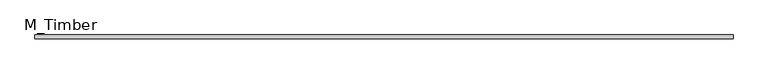
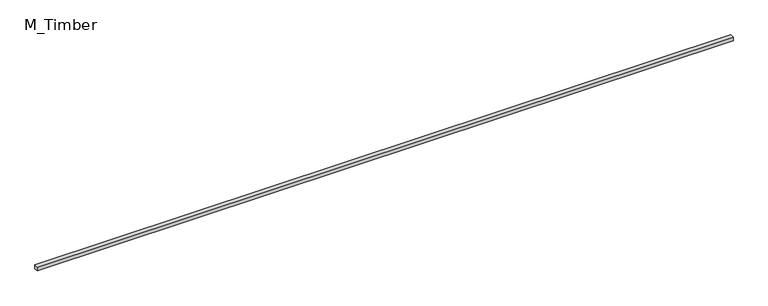
"""IFC4 building model written with IfcOpenShell, lengths in millimetres: beam geometry, M_Timber."""

from ifc_helpers import new_model, si_unit, frame, origin, place, context, project, spatial, polyline, outline, extrude, source, transform, mapped, element, save


def m_timber_9a5e1439(model_context):
    return source(origin(), model_context, "Body", "SweptSolid", [
        extrude(outline(polyline([(5361.0053522, 30.0), (5361.0053522, -30.0), (-5361.0053522, -30.0), (-5361.0053522, 30.0), (5361.0053522, 30.0)])), frame((0.0, 0.0, -30.0), z_axis=(0.0, 0.0, 1.0), x_axis=(1.0, 0.0, 0.0)), (0.0, 0.0, 1.0), 60.0),
    ])


if __name__ == "__main__":
    model = new_model("IFC4")
    model_context = context("Model", 3, world=origin())
    ifc_project = project(units=[si_unit("LENGTHUNIT", "METRE", prefix="MILLI")], contexts=[model_context])
    site = spatial("IfcSite", under=ifc_project)
    building = spatial("IfcBuilding", under=site)
    placement = place(None, origin())
    m_timber_shape = m_timber_9a5e1439(model_context)
    element("IfcBeam", 1, ObjectType="M_Timber", at=placement, inside=building, context=model_context, shape_type="MappedRepresentation", body=[
        mapped(m_timber_shape, transform((0.0, 0.0, 0.0), x_axis=(1.0, 0.0, 0.0), y_axis=(0.0, 1.0, 0.0), z_axis=(0.0, 0.0, 1.0))),
    ])
    save(model, "model.ifc")
